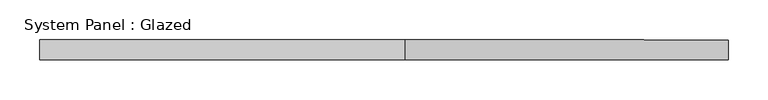
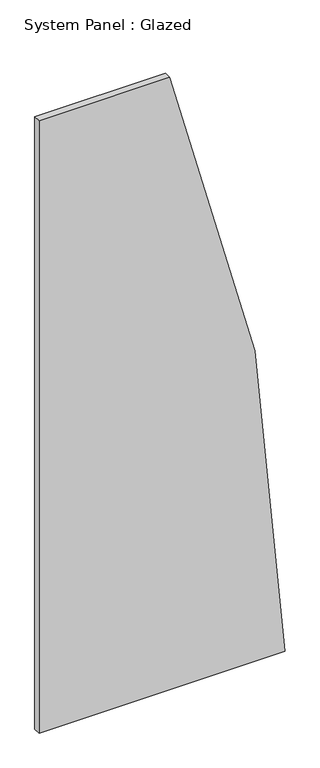
"""IFC4 building model written with IfcOpenShell, lengths in millimetres: plate geometry, System Panel : Glazed."""

from ifc_helpers import new_model, si_unit, point, frame, frame_2d, origin, place, context, project, spatial, polyline, circle_curve, trimmed, segment, composite_curve, outline, extrude, source, transform, mapped, element, save


def system_panel_glazed_8c1db6b9(model_context):
    return source(origin(), model_context, "Body", "SweptSolid", [
        extrude(outline(composite_curve([segment(polyline([(0.0, -433.1998986), (0.0, 433.1998986)]), True, "CONTINUOUS"), segment(trimmed(circle_curve(frame_2d((-50.0, -6430.6366506)), 6864.0186607), [point((0.0, 433.1998986))], [point((2276.8533559, 26.9562162))], False, "CARTESIAN"), True, "CONTINUOUS"), segment(polyline([(2276.8533559, 26.9562162), (2276.8533559, -433.1998986), (0.0, -433.1998986)]), True, "CONTINUOUS")], self_intersect=False)), frame((0.0, 24.5, 0.0), z_axis=(0.0, 1.0, 0.0), x_axis=(0.0, 0.0, 1.0)), (0.0, 0.0, 1.0), 25.0),
    ])


if __name__ == "__main__":
    model = new_model("IFC4")
    model_context = context("Model", 3, world=origin())
    ifc_project = project(units=[si_unit("LENGTHUNIT", "METRE", prefix="MILLI")], contexts=[model_context])
    site = spatial("IfcSite", under=ifc_project)
    building = spatial("IfcBuilding", under=site)
    placement = place(None, origin())
    system_panel_glazed_shape = system_panel_glazed_8c1db6b9(model_context)
    element("IfcPlate", 1, ObjectType="System Panel : Glazed", at=placement, inside=building, context=model_context, shape_type="MappedRepresentation", body=[
        mapped(system_panel_glazed_shape, transform((0.0, 0.0, 0.0), x_axis=(1.0, 0.0, 0.0), y_axis=(0.0, 1.0, 0.0), z_axis=(0.0, 0.0, 1.0))),
    ])
    save(model, "model.ifc")
